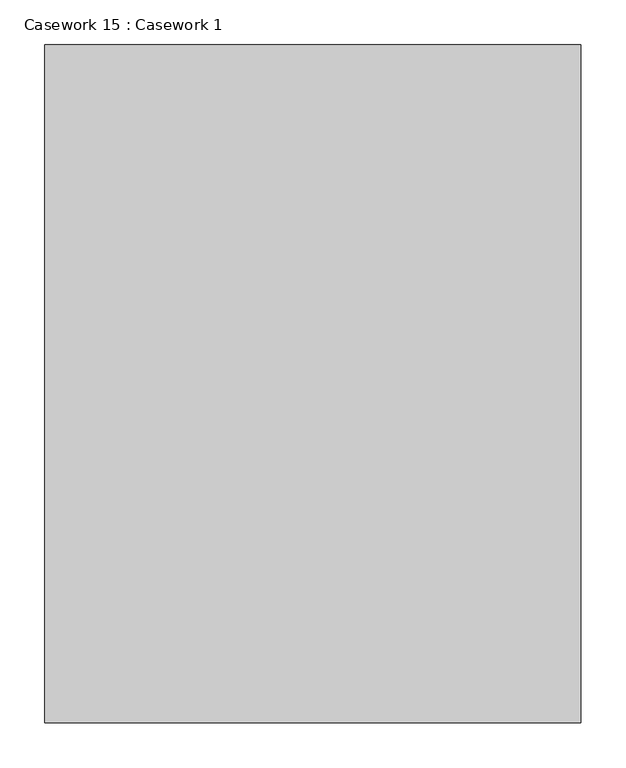
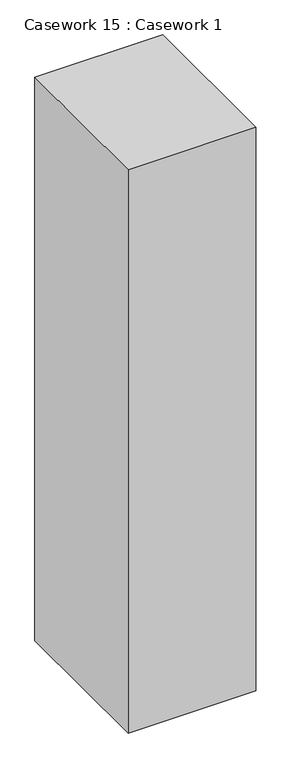
"""IFC4 building model written with IfcOpenShell, lengths in millimetres: furniture geometry, Casework 15 : Casework 1."""

import ifcopenshell
import ifcopenshell.guid

model = None  # the IFC model being written
_history = None  # IfcOwnerHistory: only IFC2X3 demands one
_inside = {}  # id of a spatial element -> (the spatial element, [elements in it])
_under = {}  # id of a project, library or spatial element -> (it, [spatial elements below it])
_declared = {}  # id of a project -> (the project, [libraries it declares])
_typed = {}  # id of a type object -> (the type object, [elements of that type])
_made_of = {}  # id of a material, layer set ... -> (it, [elements and type objects made of it])


def new_model(schema):
    """Start an empty IFC model of exactly this schema.

    Asked for "IFC4X3", IfcOpenShell would pick the latest addendum, in which some entities
    have other attributes; the version numbers below select the first issue.
    IFC2X3 requires an IfcOwnerHistory on every rooted entity: one is made here for all.
    """
    global model, _history
    if schema == "IFC4X3":
        model = ifcopenshell.file(schema_version=(4, 3, 0, 0))
    else:
        model = ifcopenshell.file(schema=schema)
    _inside.clear()
    _under.clear()
    _declared.clear()
    _typed.clear()
    _made_of.clear()
    _history = None
    if model.schema == "IFC2X3":
        org = make("IfcOrganization", Name="unknown")
        user = make(
            "IfcPersonAndOrganization",
            ThePerson=make("IfcPerson", FamilyName="unknown"),
            TheOrganization=org,
        )
        app = make(
            "IfcApplication",
            ApplicationDeveloper=org,
            Version="unknown",
            ApplicationFullName="unknown",
            ApplicationIdentifier="unknown",
        )
        _history = make(
            "IfcOwnerHistory",
            OwningUser=user,
            OwningApplication=app,
            ChangeAction="ADDED",
            CreationDate=0,
        )
    return model


def make(cls, **values):
    """One entity of the class cls with the attributes given. An attribute that is None is left unset."""
    return model.create_entity(
        cls, **{name: value for name, value in values.items() if value is not None}
    )


def rooted(cls, **values):
    """An entity with a GlobalId (a new one), such as an element, a storey or a relation."""
    return make(cls, GlobalId=ifcopenshell.guid.new(), OwnerHistory=_history, **values)


def si_unit(unit_type, name, prefix=None):
    """IfcSIUnit, for example si_unit("LENGTHUNIT", "METRE", prefix="MILLI")."""
    return make("IfcSIUnit", UnitType=unit_type, Prefix=prefix, Name=name)


def assignment(units):
    """IfcUnitAssignment: the units of a project."""
    return None if units is None else make("IfcUnitAssignment", Units=units)


def point(xyz):
    """IfcCartesianPoint."""
    return None if xyz is None else make("IfcCartesianPoint", Coordinates=xyz)


def direction(xyz):
    """IfcDirection."""
    return None if xyz is None else make("IfcDirection", DirectionRatios=xyz)


def frame(location, z_axis=None, x_axis=None):
    """IfcAxis2Placement3D, a coordinate frame: its origin and axes. An axis left out is left unset."""
    return make(
        "IfcAxis2Placement3D",
        Location=point(location),
        Axis=direction(z_axis),
        RefDirection=direction(x_axis),
    )


def origin():
    """The frame at (0, 0, 0) with its axes left unset."""
    return frame((0.0, 0.0, 0.0))


def place(relative_to, where):
    """IfcLocalPlacement: puts the frame where relative to a parent placement (None: the world)."""
    return make(
        "IfcLocalPlacement", PlacementRelTo=relative_to, RelativePlacement=where
    )


def context(
    kind, dimensions, precision=None, world=None, true_north=None, identifier=None
):
    """IfcGeometricRepresentationContext, for example the 3D "Model" context."""
    return make(
        "IfcGeometricRepresentationContext",
        ContextIdentifier=identifier,
        ContextType=kind,
        CoordinateSpaceDimension=dimensions,
        Precision=precision,
        WorldCoordinateSystem=world,
        TrueNorth=true_north,
    )


def project(units=None, contexts=None):
    """IfcProject with its units and contexts."""
    return rooted(
        "IfcProject",
        Name="project",
        RepresentationContexts=contexts,
        UnitsInContext=assignment(units),
    )


def spatial(cls, under=None, at=None, **own):
    """A site, building, storey or space (cls), placed at a placement, below another one or the project."""
    s = rooted(cls, ObjectPlacement=at, **own)
    if under is not None:
        _under.setdefault(under.id(), (under, []))[1].append(s)
    return s


def polyline(points):
    """IfcPolyline through the points."""
    return make("IfcPolyline", Points=[point(p) for p in points])


def outline(outer, holes=None, kind="AREA"):
    """IfcArbitraryClosedProfileDef: a profile drawn as a closed curve; with holes, ...WithVoids."""
    if holes is None:
        return make("IfcArbitraryClosedProfileDef", ProfileType=kind, OuterCurve=outer)
    return make(
        "IfcArbitraryProfileDefWithVoids",
        ProfileType=kind,
        OuterCurve=outer,
        InnerCurves=holes,
    )


def extrude(swept, where, along, depth):
    """IfcExtrudedAreaSolid: the profile swept, set in the frame where, extruded along a direction by depth."""
    return make(
        "IfcExtrudedAreaSolid",
        SweptArea=swept,
        Position=where,
        ExtrudedDirection=direction(along),
        Depth=depth,
    )


def shape(context_of_items, identifier, shape_type, items):
    """IfcShapeRepresentation: the items that make up one representation, for example the "Body"."""
    return make(
        "IfcShapeRepresentation",
        ContextOfItems=context_of_items,
        RepresentationIdentifier=identifier,
        RepresentationType=shape_type,
        Items=items,
    )


def source(mapping_origin, context_of_items, identifier, shape_type, items):
    """IfcRepresentationMap: a shape defined once, which mapped items show again and again."""
    return make(
        "IfcRepresentationMap",
        MappingOrigin=mapping_origin,
        MappedRepresentation=shape(context_of_items, identifier, shape_type, items),
    )


def transform(
    local_origin,
    x_axis=None,
    y_axis=None,
    z_axis=None,
    scale=None,
    scale2=None,
    scale3=None,
    uniform=True,
):
    """IfcCartesianTransformationOperator3D, or its non-uniform kind. x_axis, y_axis, z_axis: its Axis1, 2, 3."""
    if uniform:
        return make(
            "IfcCartesianTransformationOperator3D",
            Axis1=direction(x_axis),
            Axis2=direction(y_axis),
            LocalOrigin=point(local_origin),
            Scale=scale,
            Axis3=direction(z_axis),
        )
    return make(
        "IfcCartesianTransformationOperator3DnonUniform",
        Axis1=direction(x_axis),
        Axis2=direction(y_axis),
        LocalOrigin=point(local_origin),
        Scale=scale,
        Axis3=direction(z_axis),
        Scale2=scale2,
        Scale3=scale3,
    )


def mapped(mapping_source, mapping_target):
    """IfcMappedItem: shows the shape of a source again, moved by a transform."""
    return make(
        "IfcMappedItem", MappingSource=mapping_source, MappingTarget=mapping_target
    )


def made_of(thing, what):
    """Note that an element or type object is made of a material, layer set ...; save() writes the relation."""
    if what is not None:
        _made_of.setdefault(what.id(), (what, []))[1].append(thing)
    return thing


def element(
    cls,
    number,
    at=None,
    inside=None,
    cuts=None,
    type_object=None,
    material=None,
    context=None,
    identifier="Body",
    shape_type=None,
    held_by="IfcProductDefinitionShape",
    body=None,
    shapes=None,
    **own,
):
    """One element of the class cls, such as IfcWall. Its Tag is "e" and its number.

    at: its placement. inside: the storey or other place that contains it. cuts: it is an
    opening in that element (IfcRelVoidsElement). A single representation is given by context,
    identifier, shape_type and body (its items); several are given by shapes. held_by: the class
    of the entity that holds the representations. save() writes the other relations.
    """
    e = rooted(cls, Tag="e%d" % number, ObjectPlacement=at, **own)
    if body is not None:
        shapes = [shape(context, identifier, shape_type, body)]
    if shapes is not None:
        e.Representation = make(held_by, Representations=shapes)
    if inside is not None:
        _inside.setdefault(inside.id(), (inside, []))[1].append(e)
    if cuts is not None:
        rooted(
            "IfcRelVoidsElement", RelatingBuildingElement=cuts, RelatedOpeningElement=e
        )
    if type_object is not None:
        _typed.setdefault(type_object.id(), (type_object, []))[1].append(e)
    return made_of(e, material)


def aggregate(whole, parts):
    """IfcRelAggregates: a whole, such as a stair, and the parts it consists of."""
    return rooted("IfcRelAggregates", RelatingObject=whole, RelatedObjects=parts)


def save(model, path):
    """Write the relations noted so far, then the file.

    IfcRelAggregates (storeys below a building ...), IfcRelContainedInSpatialStructure (elements
    in a storey), IfcRelDefinesByType, IfcRelAssociatesMaterial and IfcRelDeclares: one each for
    every whole, place, type object, material and project.
    """
    for whole, parts in _under.values():
        aggregate(whole, parts)
    for where, things in _inside.values():
        rooted(
            "IfcRelContainedInSpatialStructure",
            RelatedElements=things,
            RelatingStructure=where,
        )
    for kind, things in _typed.values():
        rooted("IfcRelDefinesByType", RelatedObjects=things, RelatingType=kind)
    for what, things in _made_of.values():
        rooted("IfcRelAssociatesMaterial", RelatedObjects=things, RelatingMaterial=what)
    for by, libraries in _declared.values():
        rooted("IfcRelDeclares", RelatingContext=by, RelatedDefinitions=libraries)
    model.write(path)


def casework_15_casework_1_1b264a4f(model_context):
    return source(origin(), model_context, "Body", "SweptSolid", [
        extrude(outline(polyline([(95552.7769414, -27793.1881628), (94952.9696444, -27793.1881628), (94952.9696444, -27034.6998034), (95552.7769414, -27034.6998034), (95552.7769414, -27793.1881628)])), frame((0.0, 0.0, 68000.0), z_axis=(0.0, 0.0, 1.0), x_axis=(1.0, 0.0, 0.0)), (0.0, 0.0, 1.0), 2800.0),
    ])


if __name__ == "__main__":
    model = new_model("IFC4")
    model_context = context("Model", 3, world=origin())
    ifc_project = project(units=[si_unit("LENGTHUNIT", "METRE", prefix="MILLI")], contexts=[model_context])
    site = spatial("IfcSite", under=ifc_project)
    building = spatial("IfcBuilding", under=site)
    placement = place(None, origin())
    casework_15_casework_1_shape = casework_15_casework_1_1b264a4f(model_context)
    element("IfcFurniture", 1, ObjectType="Casework 15 : Casework 1", at=placement, inside=building, context=model_context, shape_type="MappedRepresentation", body=[
        mapped(casework_15_casework_1_shape, transform((0.0, 0.0, 0.0), x_axis=(1.0, 0.0, 0.0), y_axis=(0.0, 1.0, 0.0), z_axis=(0.0, 0.0, 1.0))),
    ])
    save(model, "model.ifc")
